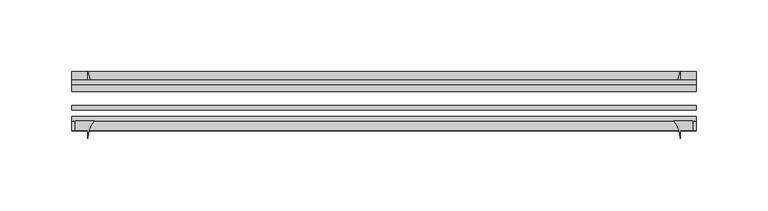
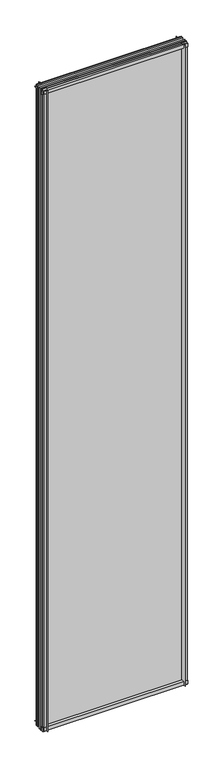
"""IFC4 building model written with IfcOpenShell, lengths in millimetres: plate geometry."""

from ifc_helpers import new_model, si_unit, point, frame, frame_2d, origin, place, context, project, spatial, polyline, circle_curve, trimmed, segment, composite_curve, outline, extrude, source, transform, mapped, element, save


def plate_a7847018(model_context):
    return source(origin(), model_context, "Body", "SweptSolid", [
        extrude(outline(composite_curve([segment(polyline([(-42.891075, -11.1125), (-42.891075, 3.8539528)]), True, "CONTINUOUS"), segment(trimmed(circle_curve(frame_2d((-26.637892, 29.5913262)), 30.4397495), [point((-42.891075, 3.8539528))], [point((-33.7745413, 0.0))], True, "CARTESIAN"), True, "CONTINUOUS"), segment(polyline([(-33.7745413, 0.0), (-39.690675, 0.0), (-39.690675, -11.1125), (-42.891075, -11.1125)]), True, "CONTINUOUS")], self_intersect=False)), frame((-217.4795252, 0.0, 0.0), z_axis=(1.0, 0.0, 0.0), x_axis=(0.0, 1.0, 0.0)), (0.0, 0.0, 1.0), 434.9590504),
        extrude(outline(composite_curve([segment(trimmed(circle_curve(frame_2d((-80.4922797, 17.8701603)), 18.6769817), [point((-74.641075, 0.1333891))], [point((-68.291075, 3.72943))], True, "CARTESIAN"), True, "CONTINUOUS"), segment(polyline([(-68.291075, 3.72943), (-68.291075, -10.3251), (-74.641075, -10.3251), (-74.641075, 0.1333891)]), True, "CONTINUOUS")], self_intersect=False)), frame((-217.4795252, 0.0, 0.0), z_axis=(1.0, 0.0, 0.0), x_axis=(0.0, 1.0, 0.0)), (0.0, 0.0, 1.0), 434.9590504),
        extrude(outline(composite_curve([segment(polyline([(-42.891075, 2005.9083472), (-42.891075, 2020.8875), (-39.690675, 2020.8875), (-39.690675, 2009.775), (-33.721675, 2009.775)]), True, "CONTINUOUS"), segment(trimmed(circle_curve(frame_2d((-26.637892, 1980.1709738)), 30.4397495), [point((-33.721675, 2009.775))], [point((-42.891075, 2005.9083472))], True, "CARTESIAN"), True, "CONTINUOUS")], self_intersect=False)), frame((-217.4795252, 0.0, 0.0), z_axis=(1.0, 0.0, 0.0), x_axis=(0.0, 1.0, 0.0)), (0.0, 0.0, 1.0), 434.9590504),
        extrude(outline(composite_curve([segment(polyline([(-68.291075, 2018.5126), (-68.291075, 2005.23912)]), True, "CONTINUOUS"), segment(trimmed(circle_curve(frame_2d((-80.4922797, 1991.0983897)), 18.6769817), [point((-68.291075, 2005.23912))], [point((-74.641075, 2008.8351609))], True, "CARTESIAN"), True, "CONTINUOUS"), segment(polyline([(-74.641075, 2008.8351609), (-74.641075, 2018.5126), (-68.291075, 2018.5126)]), True, "CONTINUOUS")], self_intersect=False)), frame((-217.4795252, 0.0, 0.0), z_axis=(1.0, 0.0, 0.0), x_axis=(0.0, 1.0, 0.0)), (0.0, 0.0, 1.0), 434.9590504),
        extrude(outline(composite_curve([segment(polyline([(201.8311451, -68.291075), (215.1046252, -68.291075), (215.1046252, -74.641075), (206.3670252, -74.641075), (206.3670252, -80.3744844)]), True, "CONTINUOUS"), segment(trimmed(circle_curve(frame_2d((187.6904149, -80.4922797)), 18.6769817), [point((206.3670252, -80.3744844))], [point((201.8311451, -68.291075))], True, "CARTESIAN"), True, "CONTINUOUS")], self_intersect=False)), frame((0.0, 0.0, -11.1125), z_axis=(0.0, 0.0, 1.0), x_axis=(1.0, 0.0, 0.0)), (0.0, 0.0, 1.0), 2032.0),
        extrude(outline(composite_curve([segment(trimmed(circle_curve(frame_2d((176.762999, -26.637892)), 30.4397495), [point((202.5003724, -42.891075))], [point((206.3670252, -33.721675))], True, "CARTESIAN"), True, "CONTINUOUS"), segment(polyline([(206.3670252, -33.721675), (206.3670252, -39.690675), (217.4795252, -39.690675), (217.4795252, -42.891075), (202.5003724, -42.891075)]), True, "CONTINUOUS")], self_intersect=False)), frame((0.0, 0.0, -11.1125), z_axis=(0.0, 0.0, 1.0), x_axis=(1.0, 0.0, 0.0)), (0.0, 0.0, 1.0), 2032.0),
        extrude(outline(composite_curve([segment(trimmed(circle_curve(frame_2d((-187.6904149, -80.4922797)), 18.6769817), [point((-201.8311451, -68.291075))], [point((-206.3670252, -80.3744844))], True, "CARTESIAN"), True, "CONTINUOUS"), segment(polyline([(-206.3670252, -80.3744844), (-206.3670252, -74.641075), (-215.1046252, -74.641075), (-215.1046252, -68.291075), (-201.8311451, -68.291075)]), True, "CONTINUOUS")], self_intersect=False)), frame((0.0, 0.0, -11.1125), z_axis=(0.0, 0.0, 1.0), x_axis=(1.0, 0.0, 0.0)), (0.0, 0.0, 1.0), 2032.0),
        extrude(outline(composite_curve([segment(polyline([(-202.5003724, -42.891075), (-217.4795252, -42.891075), (-217.4795252, -39.690675), (-206.3670252, -39.690675), (-206.3670252, -33.721675)]), True, "CONTINUOUS"), segment(trimmed(circle_curve(frame_2d((-176.762999, -26.637892)), 30.4397495), [point((-206.3670252, -33.721675))], [point((-202.5003724, -42.891075))], True, "CARTESIAN"), True, "CONTINUOUS")], self_intersect=False)), frame((0.0, 0.0, -11.1125), z_axis=(0.0, 0.0, 1.0), x_axis=(1.0, 0.0, 0.0)), (0.0, 0.0, 1.0), 2032.0),
        extrude(outline(polyline([(-217.4795252, -42.891075), (217.4795252, -42.891075), (217.4795252, -47.653575), (-217.4795252, -47.653575), (-217.4795252, -42.891075)])), frame((0.0, 0.0, -11.1125), z_axis=(0.0, 0.0, 1.0), x_axis=(1.0, 0.0, 0.0)), (0.0, 0.0, 1.0), 2032.0),
        extrude(outline(polyline([(217.4795252, -57.369075), (217.4795252, -60.544075), (-217.4795252, -60.544075), (-217.4795252, -57.369075), (217.4795252, -57.369075)])), frame((0.0, 0.0, -11.1125), z_axis=(0.0, 0.0, 1.0), x_axis=(1.0, 0.0, 0.0)), (0.0, 0.0, 1.0), 2032.0),
        extrude(outline(polyline([(-217.4795252, -65.116075), (217.4795252, -65.116075), (217.4795252, -68.291075), (-217.4795252, -68.291075), (-217.4795252, -65.116075)])), frame((0.0, 0.0, -11.1125), z_axis=(0.0, 0.0, 1.0), x_axis=(1.0, 0.0, 0.0)), (0.0, 0.0, 1.0), 2032.0),
    ])


if __name__ == "__main__":
    model = new_model("IFC4")
    model_context = context("Model", 3, world=origin())
    ifc_project = project(units=[si_unit("LENGTHUNIT", "METRE", prefix="MILLI")], contexts=[model_context])
    site = spatial("IfcSite", under=ifc_project)
    building = spatial("IfcBuilding", under=site)
    placement = place(None, origin())
    plate_shape = plate_a7847018(model_context)
    element("IfcPlate", 1, at=placement, inside=building, context=model_context, shape_type="MappedRepresentation", body=[
        mapped(plate_shape, transform((0.0, 0.0, 0.0), x_axis=(1.0, 0.0, 0.0), y_axis=(0.0, 1.0, 0.0), z_axis=(0.0, 0.0, 1.0))),
    ])
    save(model, "model.ifc")
